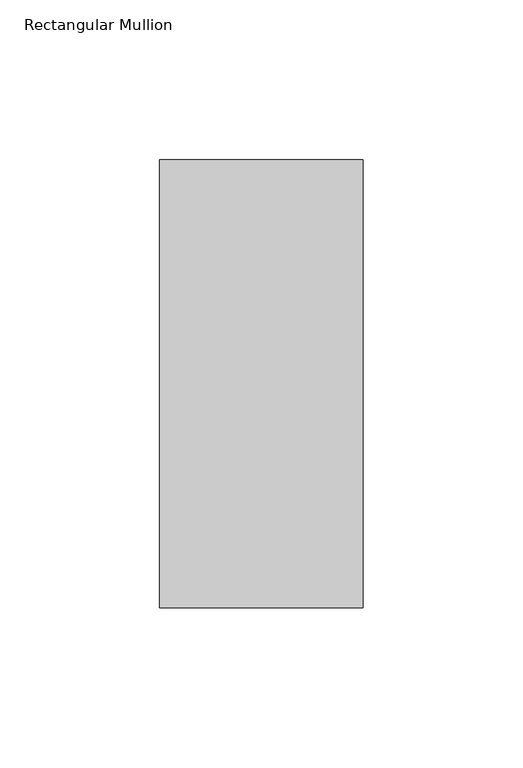
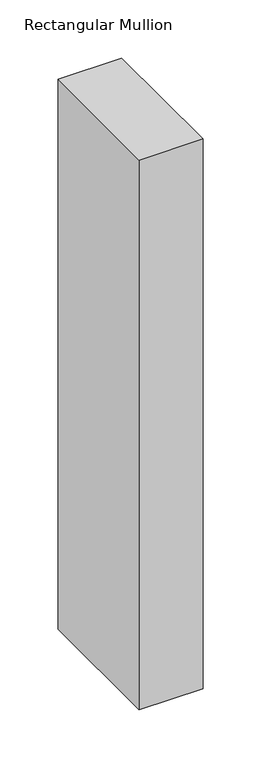
"""IFC4 building model written with IfcOpenShell, lengths in millimetres: member geometry, Rectangular Mullion."""

from ifc_helpers import new_model, si_unit, frame, origin, place, context, project, spatial, polyline, outline, extrude, source, transform, mapped, element, save


def rectangular_mullion_5b164042(model_context):
    return source(origin(), model_context, "Body", "SweptSolid", [
        extrude(outline(polyline([(0.0, 190.7881317), (0.0, 50.8202784), (-63.5, 50.8202784), (-63.5, 190.7881317), (0.0, 190.7881317)])), frame((0.0, 0.0, -577.85), z_axis=(0.0, 0.0, 1.0), x_axis=(1.0, 0.0, 0.0)), (0.0, 0.0, 1.0), 577.85),
    ])


if __name__ == "__main__":
    model = new_model("IFC4")
    model_context = context("Model", 3, world=origin())
    ifc_project = project(units=[si_unit("LENGTHUNIT", "METRE", prefix="MILLI")], contexts=[model_context])
    site = spatial("IfcSite", under=ifc_project)
    building = spatial("IfcBuilding", under=site)
    placement = place(None, origin())
    rectangular_mullion_shape = rectangular_mullion_5b164042(model_context)
    element("IfcMember", 1, ObjectType="Rectangular Mullion", at=placement, inside=building, context=model_context, shape_type="MappedRepresentation", body=[
        mapped(rectangular_mullion_shape, transform((0.0, 0.0, 0.0), x_axis=(1.0, 0.0, 0.0), y_axis=(0.0, 1.0, 0.0), z_axis=(0.0, 0.0, 1.0))),
    ])
    save(model, "model.ifc")
